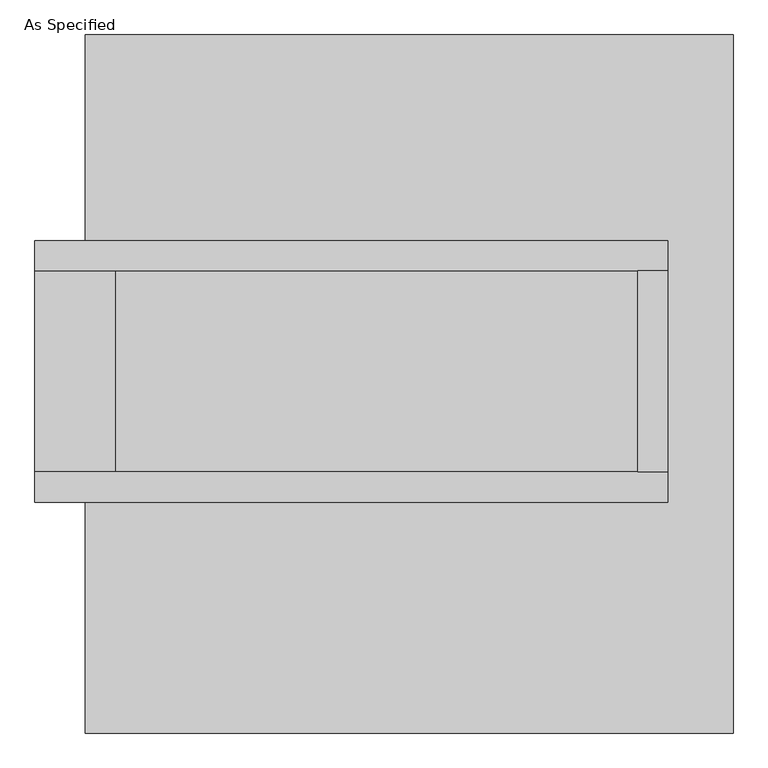
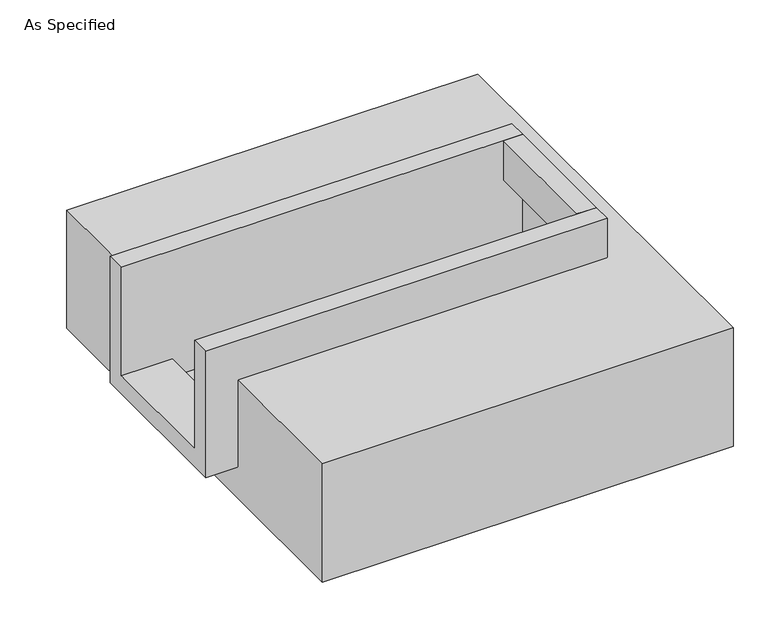
"""IFC4 building model written with IfcOpenShell, lengths in millimetres: proxy geometry, As Specified."""

from ifc_helpers import new_model, si_unit, frame, origin, place, context, project, spatial, polyline, outline, extrude, faceted_brep, source, transform, mapped, element, save


def as_specified_f3103303(model_context):
    return source(origin(), model_context, "Body", "SolidModel", [
        extrude(outline(polyline([(577.85, 285.75), (654.05, 285.75), (654.05, -222.25), (577.85, -222.25), (577.85, 285.75)])), frame((0.0, 0.0, -25.4), z_axis=(0.0, 0.0, 1.0), x_axis=(1.0, 0.0, 0.0)), (0.0, 0.0, 1.0), 165.1),
        faceted_brep([(654.05, 285.75, 139.7), (654.05, 285.75, -317.5), (654.05, -222.25, -317.5), (654.05, -222.25, 139.7), (654.05, -298.45, 139.7), (654.05, -298.45, -393.7), (654.05, 361.95, -393.7), (654.05, 361.95, 139.7), (-946.15, 285.75, 139.7), (-946.15, 361.95, 139.7), (-946.15, 361.95, -393.7), (-946.15, -298.45, -393.7), (-946.15, -298.45, 139.7), (-946.15, -222.25, 139.7), (-946.15, -222.25, -317.5), (-946.15, 285.75, -317.5), (-742.95, 285.75, -393.7), (-742.95, -222.25, -393.7), (577.85, -222.25, -393.7), (577.85, 285.75, -393.7), (577.85, -222.25, -317.5), (-742.95, -222.25, -317.5), (577.85, 285.75, -317.5), (-742.95, 285.75, -317.5)], [[[0, 1, 2, 3, 4, 5, 6, 7]], [[8, 9, 10, 11, 12, 13, 14, 15]], [[0, 7, 9, 8]], [[7, 6, 10, 9]], [[6, 5, 11, 10], [16, 17, 18, 19]], [[4, 3, 13, 12]], [[3, 2, 20, 18, 17, 21, 14, 13]], [[2, 1, 22, 20]], [[15, 14, 21, 23]], [[1, 0, 8, 15, 23, 16, 19, 22]], [[21, 17, 16, 23]], [[18, 20, 22, 19]], [[5, 4, 12, 11]]]),
        faceted_brep([(-819.15, 882.65, -523.9742188), (819.15, 882.65, -523.9742188), (819.15, -882.65, -523.9742188), (-819.15, -882.65, -523.9742188), (819.15, 882.65, -25.4), (-819.15, 882.65, -25.4), (-819.15, 361.95, -25.4), (654.05, 361.95, -25.4), (654.05, -298.45, -25.4), (-819.15, -298.45, -25.4), (-819.15, -882.65, -25.4), (819.15, -882.65, -25.4), (-819.15, -298.45, -393.7), (-819.15, 361.95, -393.7), (654.05, 361.95, -393.7), (654.05, -298.45, -393.7)], [[[0, 1, 2, 3]], [[4, 5, 6, 7, 8, 9, 10, 11]], [[1, 0, 5, 4]], [[5, 0, 3, 10, 9, 12, 13, 6]], [[1, 4, 11, 2]], [[3, 2, 11, 10]], [[14, 15, 8, 7]], [[13, 14, 7, 6]], [[15, 14, 13, 12]], [[15, 12, 9, 8]]]),
    ])


if __name__ == "__main__":
    model = new_model("IFC4")
    model_context = context("Model", 3, world=origin())
    ifc_project = project(units=[si_unit("LENGTHUNIT", "METRE", prefix="MILLI")], contexts=[model_context])
    site = spatial("IfcSite", under=ifc_project)
    building = spatial("IfcBuilding", under=site)
    placement = place(None, origin())
    as_specified_shape = as_specified_f3103303(model_context)
    element("IfcBuildingElementProxy", 1, Name="As Specified", ObjectType="As Specified", at=placement, inside=building, context=model_context, shape_type="MappedRepresentation", body=[
        mapped(as_specified_shape, transform((0.0, 0.0, 0.0), x_axis=(1.0, 0.0, 0.0), y_axis=(0.0, 1.0, 0.0), z_axis=(0.0, 0.0, 1.0))),
    ])
    save(model, "model.ifc")
